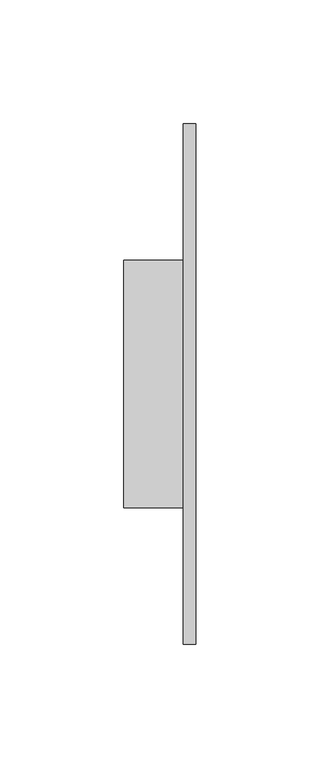
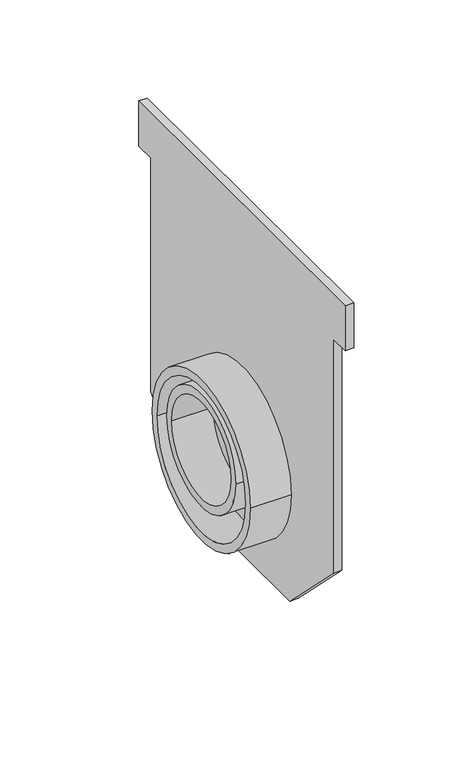
"""IFC4 building model written with IfcOpenShell, lengths in millimetres: proxy geometry."""

from ifc_helpers import new_model, si_unit, point, frame, frame_2d, origin, place, context, project, spatial, polyline, circle_curve, trimmed, segment, composite_curve, outline, extrude, source, transform, mapped, element, save


def generic_models_c80948a4(model_context):
    return source(origin(), model_context, "Body", "SweptSolid", [
        extrude(outline(composite_curve([segment(trimmed(circle_curve(frame_2d((0.0, -151.0)), 50.0), [point((-50.0, -151.0))], [point((50.0, -151.0))], False, "CARTESIAN"), True, "CONTINUOUS"), segment(trimmed(circle_curve(frame_2d((0.0, -151.0)), 50.0), [point((50.0, -151.0))], [point((-50.0, -151.0))], False, "CARTESIAN"), True, "CONTINUOUS")], self_intersect=False), holes=[composite_curve([segment(trimmed(circle_curve(frame_2d((0.0, -151.0)), 45.0), [point((-45.0, -151.0))], [point((45.0, -151.0))], True, "CARTESIAN"), True, "CONTINUOUS"), segment(trimmed(circle_curve(frame_2d((0.0, -151.0)), 45.0), [point((45.0, -151.0))], [point((-45.0, -151.0))], True, "CARTESIAN"), True, "CONTINUOUS")], self_intersect=False)]), frame((-24.0, 0.0, 0.0), z_axis=(1.0, 0.0, 0.0), x_axis=(0.0, 1.0, 0.0)), (0.0, 0.0, 1.0), 24.0),
        extrude(outline(composite_curve([segment(trimmed(circle_curve(frame_2d((0.0, -145.0)), 35.0), [point((-35.0, -145.0))], [point((35.0, -145.0))], False, "CARTESIAN"), True, "CONTINUOUS"), segment(trimmed(circle_curve(frame_2d((0.0, -145.0)), 35.0), [point((35.0, -145.0))], [point((-35.0, -145.0))], False, "CARTESIAN"), True, "CONTINUOUS")], self_intersect=False), holes=[composite_curve([segment(trimmed(circle_curve(frame_2d((0.0, -145.0)), 30.0), [point((-30.0, -145.0))], [point((30.0, -145.0))], True, "CARTESIAN"), True, "CONTINUOUS"), segment(trimmed(circle_curve(frame_2d((0.0, -145.0)), 30.0), [point((30.0, -145.0))], [point((-30.0, -145.0))], True, "CARTESIAN"), True, "CONTINUOUS")], self_intersect=False)]), frame((-24.0, 0.0, 0.0), z_axis=(1.0, 0.0, 0.0), x_axis=(0.0, 1.0, 0.0)), (0.0, 0.0, 1.0), 24.0),
        extrude(outline(polyline([(105.0, 0.0), (105.0, -28.0), (93.0, -28.0), (93.0, -173.5), (48.5, -218.0), (-48.5, -218.0), (-93.0, -173.5), (-93.0, -28.0), (-105.0, -28.0), (-105.0, 0.0), (105.0, 0.0)])), frame((0.0, 0.0, 0.0), z_axis=(1.0, 0.0, 0.0), x_axis=(0.0, 1.0, 0.0)), (0.0, 0.0, 1.0), 5.0),
    ])


if __name__ == "__main__":
    model = new_model("IFC4")
    model_context = context("Model", 3, world=origin())
    ifc_project = project(units=[si_unit("LENGTHUNIT", "METRE", prefix="MILLI")], contexts=[model_context])
    site = spatial("IfcSite", under=ifc_project)
    building = spatial("IfcBuilding", under=site)
    placement = place(None, origin())
    generic_models_shape = generic_models_c80948a4(model_context)
    element("IfcBuildingElementProxy", 1, Name="Generic Models", at=placement, inside=building, context=model_context, shape_type="MappedRepresentation", body=[
        mapped(generic_models_shape, transform((0.0, 0.0, 0.0), x_axis=(1.0, 0.0, 0.0), y_axis=(0.0, 1.0, 0.0), z_axis=(0.0, 0.0, 1.0))),
    ])
    save(model, "model.ifc")
